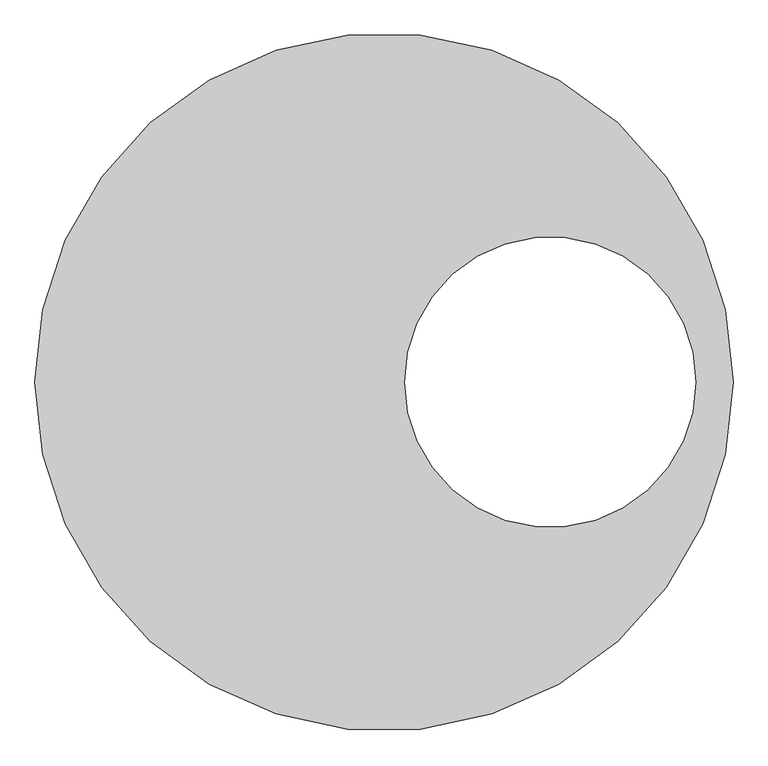
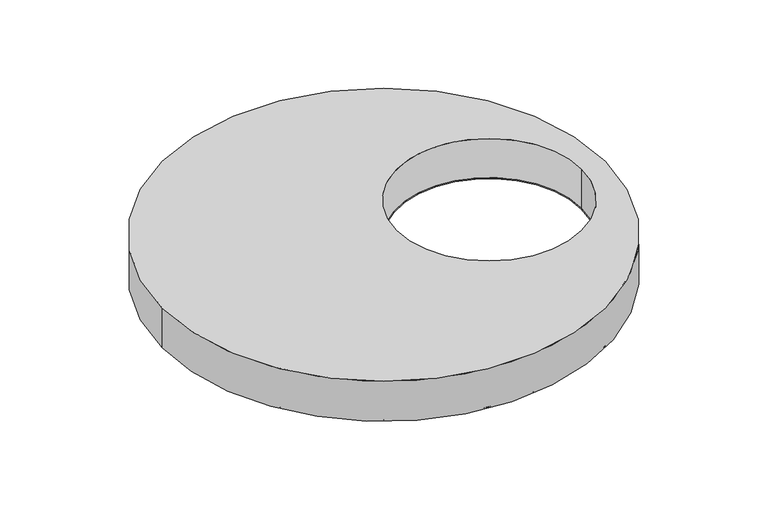
"""IFC4 building model written with IfcOpenShell, lengths in millimetres: proxy geometry."""

from ifc_helpers import new_model, si_unit, point, frame, frame_2d, origin, origin_with_axes, origin_2d, place, context, project, spatial, polyline, circle_curve, trimmed, segment, composite_curve, outline, extrude, source, transform, mapped, element, save
from ifc_brep_helpers import plane_surface, cylinder_surface, revolved_surface, advanced_brep


def generic_models_e019165e(model_context):
    return source(origin(), model_context, "Body", "SolidModel", [
        extrude(outline(composite_curve([segment(trimmed(circle_curve(origin_2d(), 836.0), [point((-836.0, 0.0))], [point((836.0, 0.0))], False, "CARTESIAN"), True, "CONTINUOUS"), segment(trimmed(circle_curve(origin_2d(), 836.0), [point((836.0, 0.0))], [point((-836.0, 0.0))], False, "CARTESIAN"), True, "CONTINUOUS")], self_intersect=False), holes=[composite_curve([segment(trimmed(circle_curve(frame_2d((400.0, 0.0)), 350.0), [point((50.0, 0.0))], [point((750.0, 0.0))], True, "CARTESIAN"), True, "CONTINUOUS"), segment(trimmed(circle_curve(frame_2d((400.0, 0.0)), 350.0), [point((750.0, 0.0))], [point((50.0, 0.0))], True, "CARTESIAN"), True, "CONTINUOUS")], self_intersect=False)]), origin_with_axes(), (0.0, 0.0, 1.0), 4.0),
        advanced_brep(
        [(-840.0, 0.0, 160.0), (840.0, 0.0, 160.0), (50.0, 0.0, 160.0), (750.0, 0.0, 160.0), (-840.0, 0.0, 0.0), (840.0, 0.0, 0.0), (-836.0, 0.0, 0.0), (836.0, 0.0, 0.0), (50.0, 0.0, 4.0), (750.0, 0.0, 4.0), (-836.0, 0.0, 4.0), (836.0, 0.0, 4.0)],
        [
            (0, 1, circle_curve(frame((0.0, 0.0, 160.0), z_axis=(0.0, 0.0, 1.0), x_axis=(1.0, 0.0, 0.0)), 840.0)),
            (1, 0, circle_curve(frame((0.0, 0.0, 160.0), z_axis=(0.0, 0.0, 1.0), x_axis=(1.0, 0.0, 0.0)), 840.0)),
            (2, 3, circle_curve(frame((400.0, 0.0, 160.0), z_axis=(0.0, 0.0, -1.0), x_axis=(1.0, 0.0, 0.0)), 350.0)),
            (3, 2, circle_curve(frame((400.0, 0.0, 160.0), z_axis=(0.0, 0.0, -1.0), x_axis=(1.0, 0.0, 0.0)), 350.0)),
            (4, 5, circle_curve(frame((0.0, 0.0, 0.0), z_axis=(0.0, 0.0, -1.0), x_axis=(1.0, 0.0, 0.0)), 840.0)),
            (5, 4, circle_curve(frame((0.0, 0.0, 0.0), z_axis=(0.0, 0.0, -1.0), x_axis=(1.0, 0.0, 0.0)), 840.0)),
            (6, 7, circle_curve(origin_with_axes(), 836.0)),
            (7, 6, circle_curve(origin_with_axes(), 836.0)),
            (0, 4),
            (5, 1),
            (2, 8),
            (8, 9, circle_curve(frame((400.0, 0.0, 4.0), z_axis=(0.0, 0.0, -1.0), x_axis=(1.0, 0.0, 0.0)), 350.0)),
            (9, 3),
            (9, 8, circle_curve(frame((400.0, 0.0, 4.0), z_axis=(0.0, 0.0, -1.0), x_axis=(1.0, 0.0, 0.0)), 350.0)),
            (10, 11, circle_curve(frame((0.0, 0.0, 4.0), z_axis=(0.0, 0.0, -1.0), x_axis=(1.0, 0.0, 0.0)), 836.0)),
            (11, 10, circle_curve(frame((0.0, 0.0, 4.0), z_axis=(0.0, 0.0, -1.0), x_axis=(1.0, 0.0, 0.0)), 836.0)),
            (11, 7),
            (6, 10),
        ],
        [
            plane_surface(frame((840.0, 0.0, 160.0), z_axis=(0.0, 0.0, 1.0), x_axis=(0.0, 1.0, 0.0))),
            plane_surface(frame((840.0, 0.0, 0.0), z_axis=(0.0, 0.0, -1.0), x_axis=(0.0, -1.0, 0.0))),
            cylinder_surface(origin_with_axes(), 840.0),
            revolved_surface(polyline([(750.0, 0.0, 4.0), (750.0, 0.0, 160.0)]), (400.0, 0.0, 0.0), (0.0, 0.0, -1.0)),
            plane_surface(frame((836.0, 0.0, 4.0), z_axis=(0.0, 0.0, -1.0), x_axis=(0.0, 1.0, 0.0))),
            revolved_surface(polyline([(836.0, 0.0, 4.0), (836.0, 0.0, 0.0)]), (0.0, 0.0, 0.0), (0.0, 0.0, 1.0)),
        ],
        [
            (0, [[1, 2], [3, 4]]),
            (1, [[5, 6], [7, 8]]),
            (2, [[-1, 9, -6, 10]]),
            (2, [[-2, -10, -5, -9]]),
            (3, [[-3, 11, 12, 13]]),
            (3, [[-4, -13, 14, -11]]),
            (4, [[15, 16], [-12, -14]]),
            (5, [[-16, 17, -7, 18]]),
            (5, [[-15, -18, -8, -17]]),
        ],
    ),
    ])


if __name__ == "__main__":
    model = new_model("IFC4")
    model_context = context("Model", 3, world=origin())
    ifc_project = project(units=[si_unit("LENGTHUNIT", "METRE", prefix="MILLI")], contexts=[model_context])
    site = spatial("IfcSite", under=ifc_project)
    building = spatial("IfcBuilding", under=site)
    placement = place(None, origin())
    generic_models_shape = generic_models_e019165e(model_context)
    element("IfcBuildingElementProxy", 1, Name="Generic Models", at=placement, inside=building, context=model_context, shape_type="MappedRepresentation", body=[
        mapped(generic_models_shape, transform((0.0, 0.0, 0.0), x_axis=(1.0, 0.0, 0.0), y_axis=(0.0, 1.0, 0.0), z_axis=(0.0, 0.0, 1.0))),
    ])
    save(model, "model.ifc")
